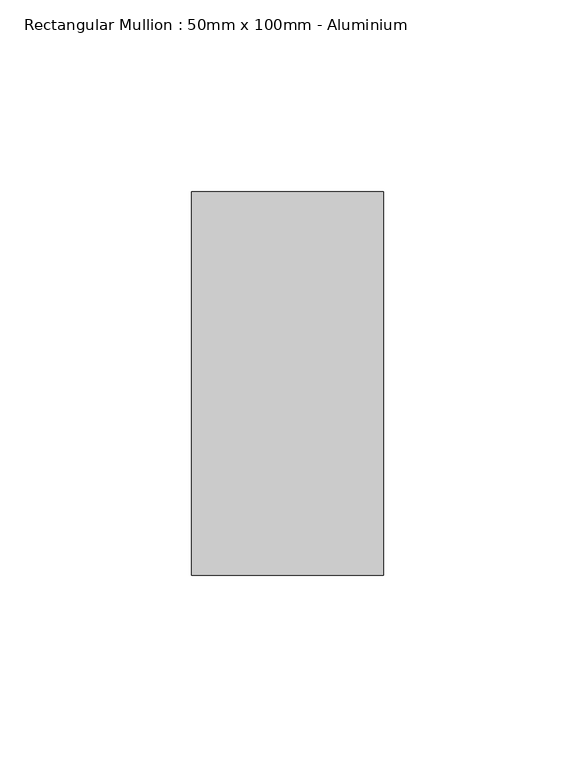
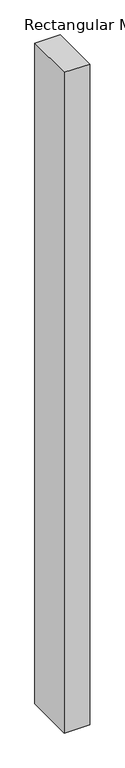
"""IFC4 building model written with IfcOpenShell, lengths in millimetres: member geometry, Rectangular Mullion : 50mm x 100mm - Aluminium."""

from ifc_helpers import new_model, si_unit, frame, origin, place, context, project, spatial, polyline, outline, extrude, source, transform, mapped, element, save


def rectangular_mullion_50mm_x_100mm_aluminium_d0cfaacd(model_context):
    return source(origin(), model_context, "Body", "SweptSolid", [
        extrude(outline(polyline([(0.0, 50.0), (0.0, -50.0), (-50.0, -50.0), (-50.0, 50.0), (0.0, 50.0)])), frame((0.0, 0.0, -1375.0), z_axis=(0.0, 0.0, 1.0), x_axis=(1.0, 0.0, 0.0)), (0.0, 0.0, 1.0), 1375.0),
    ])


if __name__ == "__main__":
    model = new_model("IFC4")
    model_context = context("Model", 3, world=origin())
    ifc_project = project(units=[si_unit("LENGTHUNIT", "METRE", prefix="MILLI")], contexts=[model_context])
    site = spatial("IfcSite", under=ifc_project)
    building = spatial("IfcBuilding", under=site)
    placement = place(None, origin())
    rectangular_mullion_50mm_x_100mm_aluminium_shape = rectangular_mullion_50mm_x_100mm_aluminium_d0cfaacd(model_context)
    element("IfcMember", 1, ObjectType="Rectangular Mullion : 50mm x 100mm - Aluminium", at=placement, inside=building, context=model_context, shape_type="MappedRepresentation", body=[
        mapped(rectangular_mullion_50mm_x_100mm_aluminium_shape, transform((0.0, 0.0, 0.0), x_axis=(1.0, 0.0, 0.0), y_axis=(0.0, 1.0, 0.0), z_axis=(0.0, 0.0, 1.0))),
    ])
    save(model, "model.ifc")
